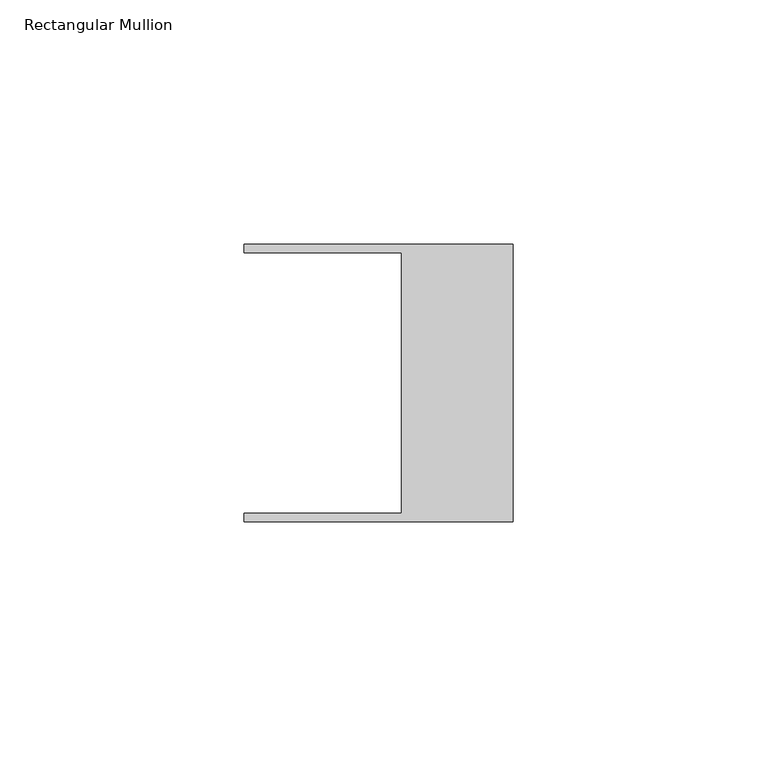
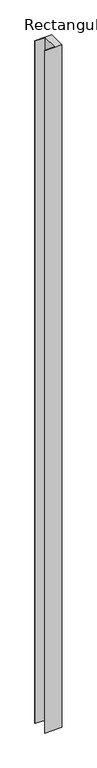
"""IFC4 building model written with IfcOpenShell, lengths in millimetres: member geometry, Rectangular Mullion."""

from ifc_helpers import new_model, si_unit, frame, origin, place, context, project, spatial, polyline, outline, extrude, source, transform, mapped, element, save


def rectangular_mullion_ad8717e9(model_context):
    return source(origin(), model_context, "Body", "SweptSolid", [
        extrude(outline(polyline([(-55.118, 26.67), (-55.118, 28.448), (0.0, 28.448), (0.0, -28.448), (-55.118, -28.448), (-55.118, -26.67), (-22.86, -26.67), (-22.86, 26.67), (-55.118, 26.67)])), frame((0.0, 0.0, -2349.5), z_axis=(0.0, 0.0, 1.0), x_axis=(1.0, 0.0, 0.0)), (0.0, 0.0, 1.0), 2349.5),
    ])


if __name__ == "__main__":
    model = new_model("IFC4")
    model_context = context("Model", 3, world=origin())
    ifc_project = project(units=[si_unit("LENGTHUNIT", "METRE", prefix="MILLI")], contexts=[model_context])
    site = spatial("IfcSite", under=ifc_project)
    building = spatial("IfcBuilding", under=site)
    placement = place(None, origin())
    rectangular_mullion_shape = rectangular_mullion_ad8717e9(model_context)
    element("IfcMember", 1, ObjectType="Rectangular Mullion", at=placement, inside=building, context=model_context, shape_type="MappedRepresentation", body=[
        mapped(rectangular_mullion_shape, transform((0.0, 0.0, 0.0), x_axis=(1.0, 0.0, 0.0), y_axis=(0.0, 1.0, 0.0), z_axis=(0.0, 0.0, 1.0))),
    ])
    save(model, "model.ifc")
